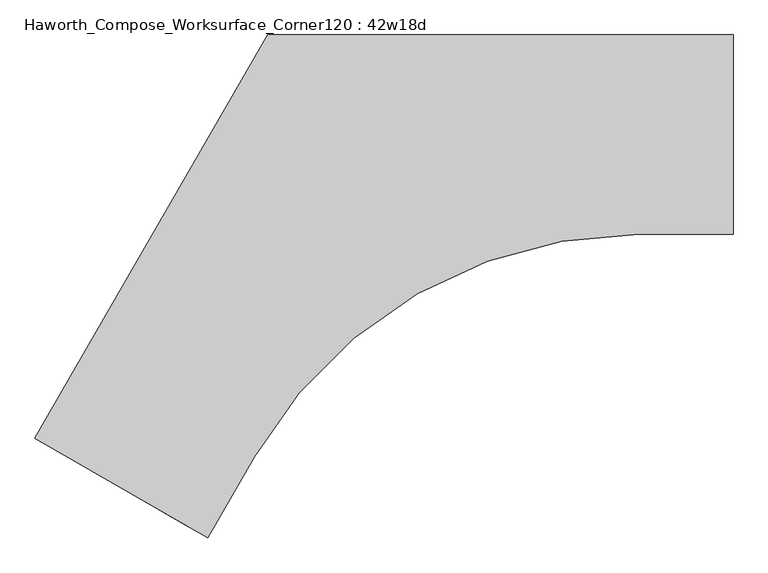
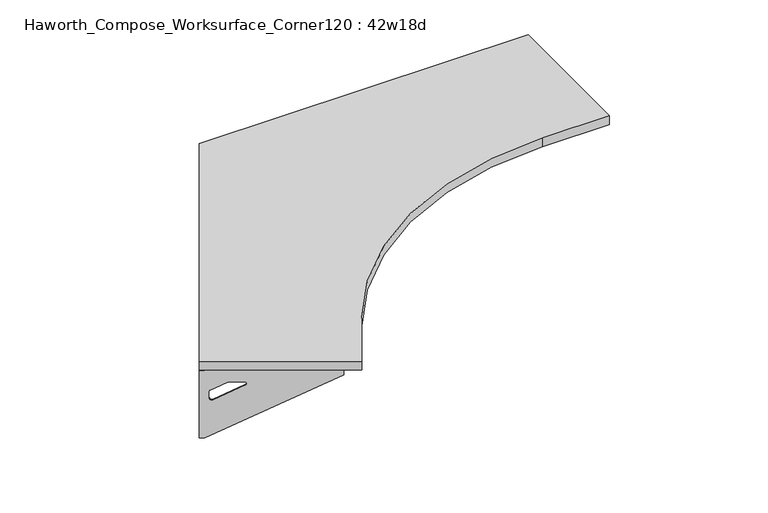
"""IFC4 building model written with IfcOpenShell, lengths in millimetres: furniture geometry, Haworth_Compose_Worksurface_Corner120 : 42w18d."""

from ifc_helpers import new_model, si_unit, point, frame, frame_2d, origin, place, context, project, spatial, polyline, circle_curve, trimmed, segment, composite_curve, outline, extrude, source, transform, mapped, element, save
from ifc_brep_helpers import plane_surface, revolved_surface, advanced_brep


def haworth_compose_worksurface_corner120_42w18d_c3c1d16e(model_context):
    return source(origin(), model_context, "Body", "SolidModel", [
        advanced_brep(
        [(302.41875, 304.8, 473.86875), (302.41875, 288.925, 473.86875), (302.41875, -101.6, 690.1317568), (302.41875, -101.6, 702.46875), (302.41875, 288.925, 702.46875), (302.41875, 304.8, 702.46875), (302.41875, 221.490072, 664.36875), (302.41875, 177.8355284, 664.36875), (302.41875, 175.1564235, 654.7830539), (302.41875, 266.8776173, 603.9901439), (302.41875, 276.225, 609.5881969), (302.41875, 276.225, 633.0985246), (302.41875, 274.4730055, 635.9367776), (302.41875, 224.5663437, 663.5738425), (304.8, 304.8, 473.86875), (304.8, 304.8, 702.46875), (304.8, 288.925, 702.46875), (304.8, 288.925, 704.85), (304.8, -101.6, 704.85), (304.8, -101.6, 690.1317568), (304.8, 288.925, 473.86875), (304.8, 221.490072, 664.36875), (304.8, 224.5663437, 663.5738425), (304.8, 274.4730055, 635.9367776), (304.8, 276.225, 633.0985246), (304.8, 276.225, 609.5881969), (304.8, 266.8776173, 603.9901439), (304.8, 175.1564235, 654.7830539), (304.8, 177.8355284, 664.36875), (263.525, -101.6, 704.85), (263.525, -101.6, 702.46875), (263.525, 288.925, 702.46875), (263.525, 288.925, 704.85)],
        [
            (0, 1),
            (1, 2),
            (2, 3),
            (3, 4),
            (4, 5),
            (5, 0),
            (6, 7),
            (7, 8, circle_curve(frame((302.41875, 177.8355284, 659.2015106), z_axis=(1.0, 0.0, 0.0), x_axis=(0.0, -1.0, 0.0)), 5.1672394)),
            (8, 9),
            (9, 10, circle_curve(frame((302.41875, 269.875, 609.5881969), z_axis=(1.0, 0.0, 0.0), x_axis=(0.0, -1.0, 0.0)), 6.35)),
            (10, 11),
            (11, 12, circle_curve(frame((302.41875, 273.05, 633.0985246), z_axis=(1.0, 0.0, 0.0), x_axis=(0.0, -1.0, 0.0)), 3.175)),
            (12, 13),
            (13, 6, circle_curve(frame((302.41875, 221.490072, 658.01875), z_axis=(1.0, 0.0, 0.0), x_axis=(0.0, -1.0, 0.0)), 6.35)),
            (14, 15),
            (15, 16),
            (16, 17),
            (17, 18),
            (18, 19),
            (19, 20),
            (20, 14),
            (21, 22, circle_curve(frame((304.8, 221.490072, 658.01875), z_axis=(-1.0, 0.0, 0.0), x_axis=(0.0, -1.0, 0.0)), 6.35)),
            (22, 23),
            (23, 24, circle_curve(frame((304.8, 273.05, 633.0985246), z_axis=(-1.0, 0.0, 0.0), x_axis=(0.0, -1.0, 0.0)), 3.175)),
            (24, 25),
            (25, 26, circle_curve(frame((304.8, 269.875, 609.5881969), z_axis=(-1.0, 0.0, 0.0), x_axis=(0.0, -1.0, 0.0)), 6.35)),
            (26, 27),
            (27, 28, circle_curve(frame((304.8, 177.8355284, 659.2015106), z_axis=(-1.0, 0.0, 0.0), x_axis=(0.0, -1.0, 0.0)), 5.1672394)),
            (28, 21),
            (4, 16),
            (15, 5),
            (14, 0),
            (20, 1),
            (19, 2),
            (18, 29),
            (29, 30),
            (30, 3),
            (6, 21),
            (28, 7),
            (9, 26),
            (25, 10),
            (24, 11),
            (23, 12),
            (27, 8),
            (31, 4),
            (30, 31),
            (32, 29),
            (17, 32),
            (31, 32),
            (22, 13),
        ],
        [
            plane_surface(frame((302.41875, 304.8, 473.86875), z_axis=(-1.0, 0.0, 0.0), x_axis=(0.0, 1.0, 0.0))),
            plane_surface(frame((304.8, 304.8, 473.86875), z_axis=(1.0, 0.0, 0.0), x_axis=(0.0, -1.0, 0.0))),
            plane_surface(frame((304.8, -101.6, 702.46875), z_axis=(0.0, 0.0, 1.0), x_axis=(-1.0, 0.0, 0.0))),
            plane_surface(frame((304.8, 304.8, 702.46875), z_axis=(0.0, 1.0, 0.0), x_axis=(-1.0, 0.0, 0.0))),
            plane_surface(frame((304.8, 304.8, 473.86875), z_axis=(0.0, 0.0, -1.0), x_axis=(-1.0, 0.0, 0.0))),
            plane_surface(frame((304.8, 288.925, 473.86875), z_axis=(0.0, -0.4844522351345575, -0.8748177135112957), x_axis=(-1.0, 0.0, 0.0))),
            plane_surface(frame((304.8, -101.6, 690.1317568), z_axis=(0.0, -1.0, 0.0), x_axis=(-1.0, 0.0, 0.0))),
            plane_surface(frame((304.8, 221.490072, 664.36875), z_axis=(0.0, 0.0, -1.0), x_axis=(-1.0, 0.0, 0.0))),
            revolved_surface(polyline([(302.41875, 263.525, 609.5881969), (304.8, 263.525, 609.5881969)]), (304.8, 269.875, 609.5881969), (-1.0, 0.0, 0.0)),
            plane_surface(frame((304.8, 276.225, 609.5881969), z_axis=(0.0, -1.0, 0.0), x_axis=(-1.0, 0.0, 0.0))),
            revolved_surface(polyline([(302.41875, 269.875, 633.0985246), (304.8, 269.875, 633.0985246)]), (304.8, 273.05, 633.0985246), (-1.0, 0.0, 0.0)),
            revolved_surface(polyline([(302.41875, 172.668289, 659.2015106), (304.8, 172.668289, 659.2015106)]), (304.8, 177.8355284, 659.2015106), (-1.0, 0.0, 0.0)),
            plane_surface(frame((304.8, 288.925, 702.46875), z_axis=(0.0, 0.0, -1.0), x_axis=(-1.0, 0.0, 0.0))),
            plane_surface(frame((304.8, 288.925, 704.85), z_axis=(0.0, 0.0, 1.0), x_axis=(1.0, 0.0, 0.0))),
            plane_surface(frame((263.525, 288.925, 704.85), z_axis=(0.0, 1.0, 0.0), x_axis=(0.0, 0.0, -1.0))),
            plane_surface(frame((263.525, -101.6, 704.85), z_axis=(-1.0, 0.0, 0.0), x_axis=(0.0, 0.0, -1.0))),
            plane_surface(frame((304.8, 175.1564235, 654.7830539), z_axis=(0.0, 0.4844522351341526, 0.8748177135115199), x_axis=(-1.0, 0.0, 0.0))),
            plane_surface(frame((304.8, 274.4730055, 635.9367776), z_axis=(0.0, -0.48445223513456226, -0.874817713511293), x_axis=(-1.0, 0.0, 0.0))),
            revolved_surface(polyline([(302.41875, 215.140072, 658.01875), (304.8, 215.140072, 658.01875)]), (304.8, 221.490072, 658.01875), (-1.0, 0.0, 0.0)),
        ],
        [
            (0, [[1, 2, 3, 4, 5, 6], [7, 8, 9, 10, 11, 12, 13, 14]]),
            (1, [[15, 16, 17, 18, 19, 20, 21], [22, 23, 24, 25, 26, 27, 28, 29]]),
            (2, [[-5, 30, -16, 31]]),
            (3, [[-31, -15, 32, -6]]),
            (4, [[-32, -21, 33, -1]]),
            (5, [[-33, -20, 34, -2]]),
            (6, [[-34, -19, 35, 36, 37, -3]]),
            (7, [[38, -29, 39, -7]]),
            (8, [[40, -26, 41, -10]]),
            (9, [[-41, -25, 42, -11]]),
            (10, [[-42, -24, 43, -12]]),
            (11, [[-39, -28, 44, -8]]),
            (12, [[45, -4, -37, 46]]),
            (13, [[47, -35, -18, 48]]),
            (14, [[-17, -30, -45, 49, -48]]),
            (15, [[-36, -47, -49, -46]]),
            (16, [[-44, -27, -40, -9]]),
            (17, [[-43, -23, 50, -13]]),
            (18, [[-50, -22, -38, -14]]),
        ],
    ),
        advanced_brep(
        [(-1294.209375, -617.0136778, 473.86875), (-1294.209375, -617.0136778, 702.46875), (-1280.4612217, -624.9511778, 702.46875), (-942.2566509, -820.2136778, 702.46875), (-942.2566509, -820.2136778, 690.1317568), (-1280.4612217, -624.9511778, 473.86875), (-1222.060861, -658.6686418, 664.36875), (-1224.7249904, -657.1305059, 663.5738425), (-1267.9454274, -632.177175, 635.9367776), (-1269.4626991, -631.3011778, 633.0985246), (-1269.4626991, -631.3011778, 609.5881969), (-1261.3676282, -635.9748691, 603.9901439), (-1181.9347443, -681.835466, 654.7830539), (-1184.2549172, -680.4959136, 664.36875), (-1295.4, -619.0759008, 473.86875), (-1281.6518467, -627.0134008, 473.86875), (-943.4472759, -822.2759008, 690.1317568), (-943.4472759, -822.2759008, 704.85), (-1281.6518467, -627.0134008, 704.85), (-1281.6518467, -627.0134008, 702.46875), (-1295.4, -619.0759008, 702.46875), (-1223.251486, -660.7308648, 664.36875), (-1185.4455422, -682.5581365, 664.36875), (-1183.1253693, -683.897689, 654.7830539), (-1262.5582532, -638.0370921, 603.9901439), (-1270.6533241, -633.3634008, 609.5881969), (-1270.6533241, -633.3634008, 633.0985246), (-1269.1360524, -634.239398, 635.9367776), (-1225.9156154, -659.1927289, 663.5738425), (-922.8097759, -786.5307022, 702.46875), (-922.8097759, -786.5307022, 704.85), (-1261.0143467, -591.2682022, 702.46875), (-1261.0143467, -591.2682022, 704.85)],
        [
            (0, 1),
            (1, 2),
            (2, 3),
            (3, 4),
            (4, 5),
            (5, 0),
            (6, 7, circle_curve(frame((-1222.060861, -658.6686418, 658.01875), z_axis=(-0.5000000000000026, -0.8660254037844374, 0.0), x_axis=(0.8660254037844372, -0.5000000000000024, 0.0)), 6.35)),
            (7, 8),
            (8, 9, circle_curve(frame((-1266.7130684, -632.8886778, 633.0985246), z_axis=(-0.5000000000000026, -0.8660254037844374, 0.0), x_axis=(0.8660254037844372, -0.5000000000000024, 0.0)), 3.175)),
            (9, 10),
            (10, 11, circle_curve(frame((-1263.9634378, -634.4761778, 609.5881969), z_axis=(-0.5000000000000026, -0.8660254037844374, 0.0), x_axis=(0.8660254037844372, -0.5000000000000024, 0.0)), 6.35)),
            (11, 12),
            (12, 13, circle_curve(frame((-1184.2549172, -680.4959136, 659.2015106), z_axis=(-0.5000000000000026, -0.8660254037844374, 0.0), x_axis=(0.8660254037844372, -0.5000000000000024, 0.0)), 5.1672394)),
            (13, 6),
            (14, 15),
            (15, 16),
            (16, 17),
            (17, 18),
            (18, 19),
            (19, 20),
            (20, 14),
            (21, 22),
            (22, 23, circle_curve(frame((-1185.4455422, -682.5581365, 659.2015106), z_axis=(0.5000000000000026, 0.8660254037844374, 0.0), x_axis=(0.8660254037844372, -0.5000000000000024, 0.0)), 5.1672394)),
            (23, 24),
            (24, 25, circle_curve(frame((-1265.1540628, -636.5384008, 609.5881969), z_axis=(0.5000000000000026, 0.8660254037844374, 0.0), x_axis=(0.8660254037844372, -0.5000000000000024, 0.0)), 6.35)),
            (25, 26),
            (26, 27, circle_curve(frame((-1267.9036934, -634.9509008, 633.0985246), z_axis=(0.5000000000000026, 0.8660254037844374, 0.0), x_axis=(0.8660254037844372, -0.5000000000000024, 0.0)), 3.175)),
            (27, 28),
            (28, 21, circle_curve(frame((-1223.251486, -660.7308648, 658.01875), z_axis=(0.5000000000000026, 0.8660254037844374, 0.0), x_axis=(0.8660254037844372, -0.5000000000000024, 0.0)), 6.35)),
            (1, 20),
            (19, 2),
            (0, 14),
            (5, 15),
            (4, 16),
            (3, 29),
            (29, 30),
            (30, 17),
            (13, 22),
            (21, 6),
            (10, 25),
            (24, 11),
            (9, 26),
            (8, 27),
            (12, 23),
            (31, 29),
            (2, 31),
            (32, 18),
            (30, 32),
            (32, 31),
            (7, 28),
        ],
        [
            plane_surface(frame((-1294.209375, -617.0136778, 473.86875), z_axis=(0.5000000000000026, 0.8660254037844373, 0.0), x_axis=(-0.8660254037844373, 0.5000000000000026, 0.0))),
            plane_surface(frame((-1295.4, -619.0759008, 473.86875), z_axis=(-0.5000000000000026, -0.8660254037844373, 0.0), x_axis=(0.8660254037844373, -0.5000000000000026, 0.0))),
            plane_surface(frame((-943.4472759, -822.2759008, 702.46875), z_axis=(0.0, 0.0, 1.0), x_axis=(0.5000000000000011, 0.866025403784438, 0.0))),
            plane_surface(frame((-1295.4, -619.0759008, 702.46875), z_axis=(-0.866025403784438, 0.5000000000000011, 0.0), x_axis=(0.5000000000000011, 0.866025403784438, 0.0))),
            plane_surface(frame((-1295.4, -619.0759008, 473.86875), z_axis=(0.0, 0.0, -1.0), x_axis=(0.5000000000000011, 0.866025403784438, 0.0))),
            plane_surface(frame((-1281.6518467, -627.0134008, 473.86875), z_axis=(0.41954794254667943, -0.24222611756727808, -0.8748177135112957), x_axis=(0.5000000000000011, 0.866025403784438, 0.0))),
            plane_surface(frame((-943.4472759, -822.2759008, 690.1317568), z_axis=(0.866025403784438, -0.5000000000000011, 0.0), x_axis=(0.5000000000000011, 0.866025403784438, 0.0))),
            plane_surface(frame((-1223.251486, -660.7308648, 664.36875), z_axis=(0.0, 0.0, -1.0), x_axis=(0.5000000000000011, 0.866025403784438, 0.0))),
            revolved_surface(polyline([(-1258.46417645195, -637.6511777483158, 609.5881969), (-1259.6548014859688, -639.7134008, 609.5881969)]), (-1265.1540628, -636.5384008, 609.5881969), (0.5000000000000024, 0.8660254037844372, 0.0)),
            plane_surface(frame((-1270.6533241, -633.3634008, 609.5881969), z_axis=(0.866025403784438, -0.5000000000000011, 0.0), x_axis=(0.5000000000000011, 0.866025403784438, 0.0))),
            revolved_surface(polyline([(-1263.9634377398502, -634.4761778018095, 633.0985246), (-1265.1540627537306, -636.5384008186128, 633.0985246)]), (-1267.9036934, -634.9509008, 633.0985246), (0.5000000000000024, 0.8660254037844372, 0.0)),
            revolved_surface(polyline([(-1179.7799566313815, -683.0795332405233, 659.2015106), (-1180.9705816345158, -685.1417562387139, 659.2015106)]), (-1185.4455422, -682.5581365, 659.2015106), (0.5000000000000024, 0.8660254037844372, 0.0)),
            plane_surface(frame((-1281.6518467, -627.0134008, 702.46875), z_axis=(0.0, 0.0, -1.0), x_axis=(0.5000000000000011, 0.866025403784438, 0.0))),
            plane_surface(frame((-1281.6518467, -627.0134008, 704.85), z_axis=(0.0, 0.0, 1.0), x_axis=(-0.5000000000000011, -0.866025403784438, 0.0))),
            plane_surface(frame((-1261.0143467, -591.2682022, 704.85), z_axis=(-0.866025403784438, 0.5000000000000011, 0.0), x_axis=(0.0, 0.0, -1.0))),
            plane_surface(frame((-922.8097759, -786.5307022, 704.85), z_axis=(0.5000000000000011, 0.866025403784438, 0.0), x_axis=(0.0, 0.0, -1.0))),
            plane_surface(frame((-1183.1253693, -683.897689, 654.7830539), z_axis=(-0.41954794254632877, 0.24222611756707563, 0.87481771351152), x_axis=(0.5000000000000011, 0.866025403784438, 0.0))),
            plane_surface(frame((-1269.1360524, -634.239398, 635.9367776), z_axis=(0.4195479425466836, -0.24222611756728046, -0.874817713511293), x_axis=(0.5000000000000011, 0.866025403784438, 0.0))),
            revolved_surface(polyline([(-1216.5615996508982, -661.8436417464941, 658.01875), (-1217.752224685969, -663.9058648, 658.01875)]), (-1223.251486, -660.7308648, 658.01875), (0.5000000000000024, 0.8660254037844372, 0.0)),
        ],
        [
            (0, [[1, 2, 3, 4, 5, 6], [7, 8, 9, 10, 11, 12, 13, 14]]),
            (1, [[15, 16, 17, 18, 19, 20, 21], [22, 23, 24, 25, 26, 27, 28, 29]]),
            (2, [[30, -20, 31, -2]]),
            (3, [[-1, 32, -21, -30]]),
            (4, [[-6, 33, -15, -32]]),
            (5, [[-5, 34, -16, -33]]),
            (6, [[-4, 35, 36, 37, -17, -34]]),
            (7, [[-14, 38, -22, 39]]),
            (8, [[-11, 40, -25, 41]]),
            (9, [[-10, 42, -26, -40]]),
            (10, [[-9, 43, -27, -42]]),
            (11, [[-13, 44, -23, -38]]),
            (12, [[45, -35, -3, 46]]),
            (13, [[47, -18, -37, 48]]),
            (14, [[-47, 49, -46, -31, -19]]),
            (15, [[-45, -49, -48, -36]]),
            (16, [[-12, -41, -24, -44]]),
            (17, [[-8, 50, -28, -43]]),
            (18, [[-7, -39, -29, -50]]),
        ],
    ),
        extrude(outline(composite_curve([segment(polyline([(-1295.4, -619.0759008), (-762.0, 304.8), (304.8, 304.8), (304.8, -152.4), (88.5524166, -152.4)]), True, "CONTINUOUS"), segment(trimmed(circle_curve(frame_2d((88.5524166, -1168.4)), 1016.0), [point((88.5524166, -152.4))], [point((-791.3293937, -660.4))], True, "CARTESIAN"), True, "CONTINUOUS"), segment(polyline([(-791.3293937, -660.4), (-899.4531854, -847.6759008), (-1295.4, -619.0759008)]), True, "CONTINUOUS")], self_intersect=False)), frame((0.0, 0.0, 706.4375), z_axis=(0.0, 0.0, 1.0), x_axis=(1.0, 0.0, 0.0)), (0.0, 0.0, 1.0), 30.1625),
    ])


if __name__ == "__main__":
    model = new_model("IFC4")
    model_context = context("Model", 3, world=origin())
    ifc_project = project(units=[si_unit("LENGTHUNIT", "METRE", prefix="MILLI")], contexts=[model_context])
    site = spatial("IfcSite", under=ifc_project)
    building = spatial("IfcBuilding", under=site)
    placement = place(None, origin())
    haworth_compose_worksurface_corner120_42w18d_shape = haworth_compose_worksurface_corner120_42w18d_c3c1d16e(model_context)
    element("IfcFurniture", 1, ObjectType="Haworth_Compose_Worksurface_Corner120 : 42w18d", at=placement, inside=building, context=model_context, shape_type="MappedRepresentation", body=[
        mapped(haworth_compose_worksurface_corner120_42w18d_shape, transform((0.0, 0.0, 0.0), x_axis=(1.0, 0.0, 0.0), y_axis=(0.0, 1.0, 0.0), z_axis=(0.0, 0.0, 1.0))),
    ])
    save(model, "model.ifc")
